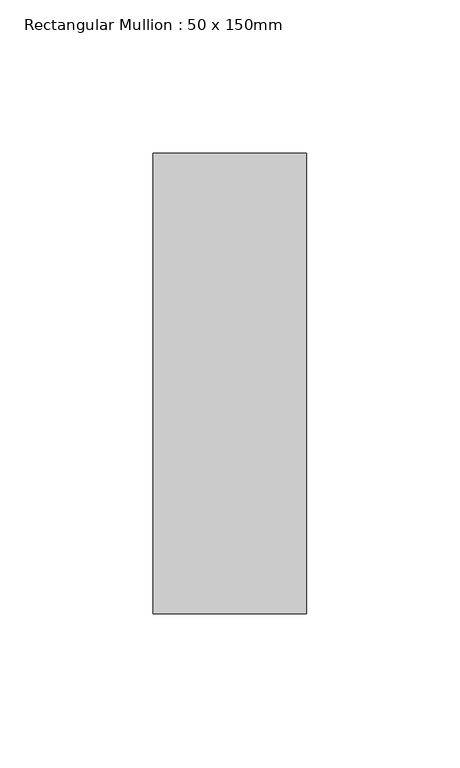
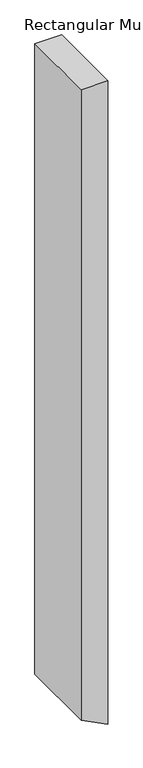
"""IFC4 building model written with IfcOpenShell, lengths in millimetres: member geometry, Rectangular Mullion : 50 x 150mm."""

from ifc_helpers import new_model, si_unit, frame, origin, place, context, project, spatial, polyline, outline, extrude, source, transform, mapped, element, save


def rectangular_mullion_50_x_150mm_a32cfe04(model_context):
    return source(origin(), model_context, "Body", "SweptSolid", [
        extrude(outline(polyline([(0.0, 0.0), (0.0, -50.0), (-1247.5514675, -50.0), (-1272.8477226, 0.0), (0.0, 0.0)])), frame((0.0, -75.0, 0.0), z_axis=(0.0, 1.0, 0.0), x_axis=(0.0, 0.0, 1.0)), (0.0, 0.0, 1.0), 150.0),
    ])


if __name__ == "__main__":
    model = new_model("IFC4")
    model_context = context("Model", 3, world=origin())
    ifc_project = project(units=[si_unit("LENGTHUNIT", "METRE", prefix="MILLI")], contexts=[model_context])
    site = spatial("IfcSite", under=ifc_project)
    building = spatial("IfcBuilding", under=site)
    placement = place(None, origin())
    rectangular_mullion_50_x_150mm_shape = rectangular_mullion_50_x_150mm_a32cfe04(model_context)
    element("IfcMember", 1, ObjectType="Rectangular Mullion : 50 x 150mm", at=placement, inside=building, context=model_context, shape_type="MappedRepresentation", body=[
        mapped(rectangular_mullion_50_x_150mm_shape, transform((0.0, 0.0, 0.0), x_axis=(1.0, 0.0, 0.0), y_axis=(0.0, 1.0, 0.0), z_axis=(0.0, 0.0, 1.0))),
    ])
    save(model, "model.ifc")
